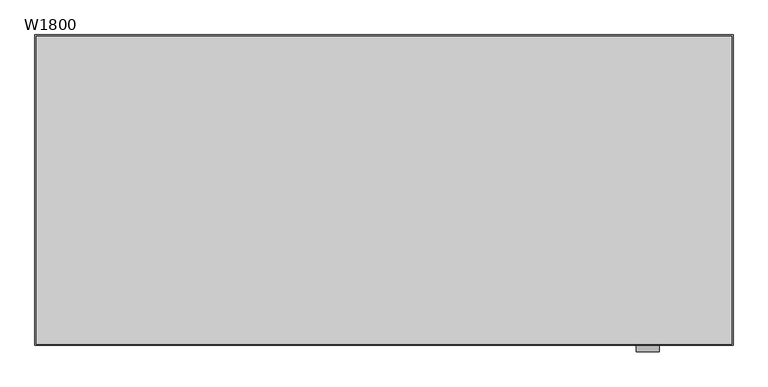
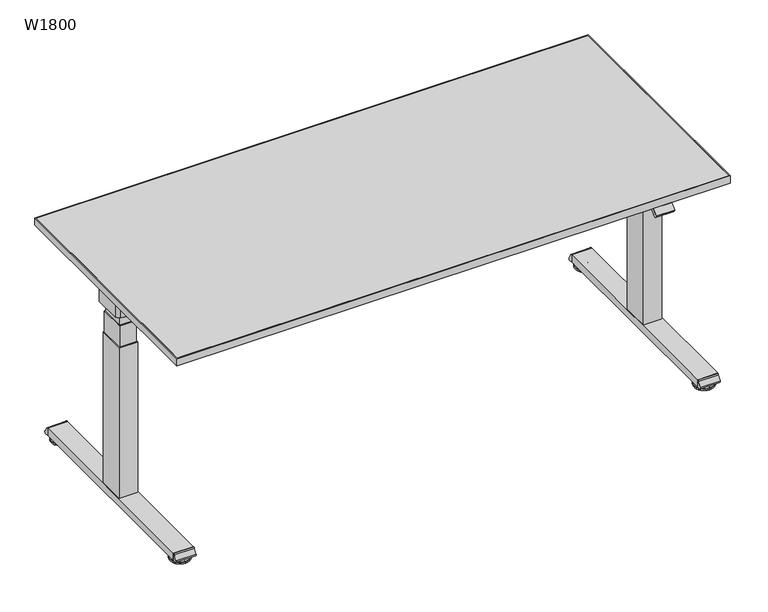
"""IFC4 building model written with IfcOpenShell, lengths in millimetres: furniture geometry, W1800."""

from ifc_helpers import new_model, si_unit, point, frame, frame_2d, origin, place, context, project, spatial, polyline, circle_curve, trimmed, segment, composite_curve, outline, extrude, faceted_brep, source, transform, mapped, element, save
from ifc_brep_helpers import plane_surface, cylinder_surface, revolved_surface, advanced_brep


def w1800_f8b1734d(model_context):
    return source(origin(), model_context, "Body", "SolidModel", [
        extrude(outline(polyline([(1709.0, -357.5), (1709.0, -442.5), (91.0, -442.5), (91.0, -357.5), (1709.0, -357.5)])), frame((0.0, 0.0, 667.0), z_axis=(0.0, 0.0, 1.0), x_axis=(1.0, 0.0, 0.0)), (0.0, 0.0, 1.0), 48.0),
        extrude(outline(composite_curve([segment(trimmed(circle_curve(frame_2d((1773.2844551, -429.3948571)), 27.2777716), [point((1796.0, -444.4972027))], [point((1785.2226587, -453.9214981))], False, "CARTESIAN"), True, "CONTINUOUS"), segment(trimmed(circle_curve(frame_2d((1767.407844, -417.3215558)), 40.705324), [point((1785.2226587, -453.9214981))], [point((1767.8222685, -458.02477))], False, "CARTESIAN"), True, "CONTINUOUS"), segment(trimmed(circle_curve(frame_2d((1752.5, 1046.8708411)), 1504.9736119), [point((1767.8222685, -458.02477))], [point((1737.1777315, -458.02477))], False, "CARTESIAN"), True, "CONTINUOUS"), segment(trimmed(circle_curve(frame_2d((1737.592156, -417.3215558)), 40.705324), [point((1737.1777315, -458.02477))], [point((1719.7773413, -453.9214981))], False, "CARTESIAN"), True, "CONTINUOUS"), segment(trimmed(circle_curve(frame_2d((1731.7155449, -429.3948571)), 27.2777716), [point((1719.7773413, -453.9214981))], [point((1709.0, -444.4972027))], False, "CARTESIAN"), True, "CONTINUOUS"), segment(polyline([(1709.0, -444.4972027), (1709.0, -355.5027973)]), True, "CONTINUOUS"), segment(trimmed(circle_curve(frame_2d((1731.7155449, -370.6051429)), 27.2777716), [point((1709.0, -355.5027973))], [point((1719.7773413, -346.0785019))], False, "CARTESIAN"), True, "CONTINUOUS"), segment(trimmed(circle_curve(frame_2d((1737.592156, -382.6784442)), 40.705324), [point((1719.7773413, -346.0785019))], [point((1737.1777315, -341.9752299))], False, "CARTESIAN"), True, "CONTINUOUS"), segment(trimmed(circle_curve(frame_2d((1752.5, -1846.8708411)), 1504.9736119), [point((1737.1777315, -341.9752299))], [point((1767.8222685, -341.9752299))], False, "CARTESIAN"), True, "CONTINUOUS"), segment(trimmed(circle_curve(frame_2d((1767.407844, -382.6784442)), 40.705324), [point((1767.8222685, -341.9752299))], [point((1785.2226587, -346.0785019))], False, "CARTESIAN"), True, "CONTINUOUS"), segment(trimmed(circle_curve(frame_2d((1773.2844551, -370.6051429)), 27.2777716), [point((1785.2226587, -346.0785019))], [point((1796.0, -355.5027973))], False, "CARTESIAN"), True, "CONTINUOUS"), segment(polyline([(1796.0, -355.5027973), (1796.0, -444.4972027)]), True, "CONTINUOUS")], self_intersect=False)), frame((0.0, 0.0, 667.0), z_axis=(0.0, 0.0, 1.0), x_axis=(1.0, 0.0, 0.0)), (0.0, 0.0, 1.0), 48.0),
        extrude(outline(composite_curve([segment(polyline([(-755.0, 13.4998704), (-764.6135226, 13.4998704)]), True, "CONTINUOUS"), segment(trimmed(circle_curve(frame_2d((-764.6135226, 18.4998704)), 5.0), [point((-764.6135226, 13.4998704))], [point((-768.9439076, 20.9994236))], False, "CARTESIAN"), True, "CONTINUOUS"), segment(polyline([(-768.9439076, 20.9994236), (-760.2856529, 35.999535)]), True, "CONTINUOUS"), segment(trimmed(circle_curve(frame_2d((-755.9552679, 33.4999819)), 5.0), [point((-760.2856529, 35.999535))], [point((-755.9552679, 38.4999819))], False, "CARTESIAN"), True, "CONTINUOUS"), segment(polyline([(-755.9552679, 38.4999819), (-755.0, 38.4999819), (-755.0, 13.4998704)]), True, "CONTINUOUS")], self_intersect=False)), frame((1720.0, 0.0, 0.0), z_axis=(1.0, 0.0, 0.0), x_axis=(0.0, 1.0, 0.0)), (0.0, 0.0, 1.0), 65.0),
        extrude(outline(composite_curve([segment(polyline([(-45.0, 13.4998704), (-45.0, 38.4999819), (-44.0447321, 38.4999819)]), True, "CONTINUOUS"), segment(trimmed(circle_curve(frame_2d((-44.0447321, 33.4999819)), 5.0), [point((-44.0447321, 38.4999819))], [point((-39.7143471, 35.999535))], False, "CARTESIAN"), True, "CONTINUOUS"), segment(polyline([(-39.7143471, 35.999535), (-31.0560924, 20.9994236)]), True, "CONTINUOUS"), segment(trimmed(circle_curve(frame_2d((-35.3864774, 18.4998704)), 5.0), [point((-31.0560924, 20.9994236))], [point((-35.3864774, 13.4998704))], False, "CARTESIAN"), True, "CONTINUOUS"), segment(polyline([(-35.3864774, 13.4998704), (-45.0, 13.4998704)]), True, "CONTINUOUS")], self_intersect=False)), frame((1720.0, 0.0, 0.0), z_axis=(1.0, 0.0, 0.0), x_axis=(0.0, 1.0, 0.0)), (0.0, 0.0, 1.0), 65.0),
        advanced_brep(
        [(1752.5, -735.0, 13.4998704), (1752.5, -727.5, 13.4998704), (1752.5, -742.5, 13.4998704), (1752.5, -727.5, 11.4998704), (1752.5, -742.5, 11.4998704), (1752.5, -725.0071288, 9.0069993), (1752.5, -744.9928712, 9.0069993), (1752.5, -703.4111807, 7.0812515), (1752.5, -766.5888193, 7.0812515), (1752.5, -702.5, 6.0852038), (1752.5, -767.5, 6.0852038), (1752.5, -702.5, 1.0), (1752.5, -767.5, 1.0), (1752.5, -703.5, 0.0), (1752.5, -766.5, 0.0), (1752.5, -735.0, 0.0)],
        [
            (0, 1),
            (1, 2, circle_curve(frame((1752.5, -735.0, 13.4998704), z_axis=(0.0, 0.0, 1.0), x_axis=(0.0, 1.0, 0.0)), 7.5)),
            (2, 0),
            (2, 1, circle_curve(frame((1752.5, -735.0, 13.4998704), z_axis=(0.0, 0.0, 1.0), x_axis=(0.0, 1.0, 0.0)), 7.5)),
            (1, 3),
            (3, 4, circle_curve(frame((1752.5, -735.0, 11.4998704), z_axis=(0.0, 0.0, 1.0), x_axis=(0.0, 1.0, 0.0)), 7.5)),
            (4, 2),
            (4, 3, circle_curve(frame((1752.5, -735.0, 11.4998704), z_axis=(0.0, 0.0, 1.0), x_axis=(0.0, 1.0, 0.0)), 7.5)),
            (3, 5),
            (5, 6, circle_curve(frame((1752.5, -735.0, 9.0069993), z_axis=(0.0, 0.0, 1.0), x_axis=(0.0, 1.0, 0.0)), 9.9928712)),
            (6, 4),
            (6, 5, circle_curve(frame((1752.5, -735.0, 9.0069993), z_axis=(0.0, 0.0, 1.0), x_axis=(0.0, 1.0, 0.0)), 9.9928712)),
            (5, 7),
            (7, 8, circle_curve(frame((1752.5, -735.0, 7.0812515), z_axis=(0.0, 0.0, 1.0), x_axis=(0.0, 1.0, 0.0)), 31.5888193)),
            (8, 6),
            (8, 7, circle_curve(frame((1752.5, -735.0, 7.0812515), z_axis=(0.0, 0.0, 1.0), x_axis=(0.0, 1.0, 0.0)), 31.5888193)),
            (7, 9),
            (9, 10, circle_curve(frame((1752.5, -735.0, 6.0852038), z_axis=(0.0, 0.0, 1.0), x_axis=(0.0, 1.0, 0.0)), 32.5)),
            (10, 8),
            (10, 9, circle_curve(frame((1752.5, -735.0, 6.0852038), z_axis=(0.0, 0.0, 1.0), x_axis=(0.0, 1.0, 0.0)), 32.5)),
            (9, 11),
            (11, 12, circle_curve(frame((1752.5, -735.0, 1.0), z_axis=(0.0, 0.0, 1.0), x_axis=(0.0, 1.0, 0.0)), 32.5)),
            (12, 10),
            (12, 11, circle_curve(frame((1752.5, -735.0, 1.0), z_axis=(0.0, 0.0, 1.0), x_axis=(0.0, 1.0, 0.0)), 32.5)),
            (11, 13),
            (13, 14, circle_curve(frame((1752.5, -735.0, 0.0), z_axis=(0.0, 0.0, 1.0), x_axis=(0.0, 1.0, 0.0)), 31.5)),
            (14, 12),
            (14, 13, circle_curve(frame((1752.5, -735.0, 0.0), z_axis=(0.0, 0.0, 1.0), x_axis=(0.0, 1.0, 0.0)), 31.5)),
            (13, 15),
            (15, 14),
        ],
        [
            plane_surface(frame((1752.5, -735.0, 13.4998704), z_axis=(0.0, 0.0, 1.0), x_axis=(0.0, 1.0, 0.0))),
            cylinder_surface(frame((1752.5, -735.0, -1.9309494), z_axis=(0.0, 0.0, 1.0), x_axis=(0.0, 1.0, 0.0)), 7.5),
            revolved_surface(polyline([(1752.5, -725.0071288, 9.0069993), (1752.5, -727.5, 11.4998704)]), (1752.5, -735.0, -1.9309494), (0.0, 0.0, 1.0)),
            revolved_surface(polyline([(1752.5, -703.4111807, 7.0812515), (1752.5, -725.0071288, 9.0069993)]), (1752.5, -735.0, -1.9309494), (0.0, 0.0, 1.0)),
            revolved_surface(polyline([(1752.5, -702.5, 6.0852038), (1752.5, -703.4111807, 7.0812515)]), (1752.5, -735.0, -1.9309494), (0.0, 0.0, 1.0)),
            cylinder_surface(frame((1752.5, -735.0, -1.9309494), z_axis=(0.0, 0.0, 1.0), x_axis=(0.0, 1.0, 0.0)), 32.5),
            revolved_surface(polyline([(1752.5, -703.5, 0.0), (1752.5, -702.5, 1.0)]), (1752.5, -735.0, -1.9309494), (0.0, 0.0, 1.0)),
            plane_surface(frame((1752.5, -735.0, 0.0), z_axis=(0.0, 0.0, -1.0), x_axis=(0.0, 1.0, 0.0))),
        ],
        [
            (0, [[1, 2, 3]]),
            (0, [[-3, 4, -1]]),
            (1, [[-2, 5, 6, 7]]),
            (1, [[-4, -7, 8, -5]]),
            (2, [[-6, 9, 10, 11]]),
            (2, [[-8, -11, 12, -9]]),
            (3, [[-10, 13, 14, 15]]),
            (3, [[-12, -15, 16, -13]]),
            (4, [[-14, 17, 18, 19]]),
            (4, [[-16, -19, 20, -17]]),
            (5, [[-18, 21, 22, 23]]),
            (5, [[-20, -23, 24, -21]]),
            (6, [[-22, 25, 26, 27]]),
            (6, [[-24, -27, 28, -25]]),
            (7, [[-26, 29, 30]]),
            (7, [[-28, -30, -29]]),
        ],
    ),
        advanced_brep(
        [(1752.5, -57.5, 13.4998704), (1752.5, -72.5, 13.4998704), (1752.5, -65.0, 13.4998704), (1752.5, -57.5, 11.4998704), (1752.5, -72.5, 11.4998704), (1752.5, -55.0071288, 9.0069993), (1752.5, -74.9928712, 9.0069993), (1752.5, -33.4111807, 7.0812515), (1752.5, -96.5888193, 7.0812515), (1752.5, -32.5, 6.0852038), (1752.5, -97.5, 6.0852038), (1752.5, -32.5, 1.0), (1752.5, -97.5, 1.0), (1752.5, -33.5, 0.0), (1752.5, -96.5, 0.0), (1752.5, -65.0, 0.0)],
        [
            (0, 1, circle_curve(frame((1752.5, -65.0, 13.4998704), z_axis=(0.0, 0.0, 1.0), x_axis=(0.0, -1.0, 0.0)), 7.5)),
            (1, 2),
            (2, 0),
            (1, 0, circle_curve(frame((1752.5, -65.0, 13.4998704), z_axis=(0.0, 0.0, 1.0), x_axis=(0.0, -1.0, 0.0)), 7.5)),
            (3, 4, circle_curve(frame((1752.5, -65.0, 11.4998704), z_axis=(0.0, 0.0, 1.0), x_axis=(0.0, -1.0, 0.0)), 7.5)),
            (4, 1),
            (0, 3),
            (4, 3, circle_curve(frame((1752.5, -65.0, 11.4998704), z_axis=(0.0, 0.0, 1.0), x_axis=(0.0, -1.0, 0.0)), 7.5)),
            (5, 6, circle_curve(frame((1752.5, -65.0, 9.0069993), z_axis=(0.0, 0.0, 1.0), x_axis=(0.0, -1.0, 0.0)), 9.9928712)),
            (6, 4),
            (3, 5),
            (6, 5, circle_curve(frame((1752.5, -65.0, 9.0069993), z_axis=(0.0, 0.0, 1.0), x_axis=(0.0, -1.0, 0.0)), 9.9928712)),
            (7, 8, circle_curve(frame((1752.5, -65.0, 7.0812515), z_axis=(0.0, 0.0, 1.0), x_axis=(0.0, -1.0, 0.0)), 31.5888193)),
            (8, 6),
            (5, 7),
            (8, 7, circle_curve(frame((1752.5, -65.0, 7.0812515), z_axis=(0.0, 0.0, 1.0), x_axis=(0.0, -1.0, 0.0)), 31.5888193)),
            (9, 10, circle_curve(frame((1752.5, -65.0, 6.0852038), z_axis=(0.0, 0.0, 1.0), x_axis=(0.0, -1.0, 0.0)), 32.5)),
            (10, 8),
            (7, 9),
            (10, 9, circle_curve(frame((1752.5, -65.0, 6.0852038), z_axis=(0.0, 0.0, 1.0), x_axis=(0.0, -1.0, 0.0)), 32.5)),
            (11, 12, circle_curve(frame((1752.5, -65.0, 1.0), z_axis=(0.0, 0.0, 1.0), x_axis=(0.0, -1.0, 0.0)), 32.5)),
            (12, 10),
            (9, 11),
            (12, 11, circle_curve(frame((1752.5, -65.0, 1.0), z_axis=(0.0, 0.0, 1.0), x_axis=(0.0, -1.0, 0.0)), 32.5)),
            (13, 14, circle_curve(frame((1752.5, -65.0, 0.0), z_axis=(0.0, 0.0, 1.0), x_axis=(0.0, -1.0, 0.0)), 31.5)),
            (14, 12),
            (11, 13),
            (14, 13, circle_curve(frame((1752.5, -65.0, 0.0), z_axis=(0.0, 0.0, 1.0), x_axis=(0.0, -1.0, 0.0)), 31.5)),
            (15, 14),
            (13, 15),
        ],
        [
            plane_surface(frame((1752.5, -65.0, 13.4998704), z_axis=(0.0, 0.0, 1.0), x_axis=(0.0, -1.0, 0.0))),
            cylinder_surface(frame((1752.5, -65.0, -1.9309494), z_axis=(0.0, 0.0, -1.0), x_axis=(0.0, -1.0, 0.0)), 7.5),
            revolved_surface(polyline([(1752.5, -72.5, 11.4998704), (1752.5, -74.9928712, 9.0069993)]), (1752.5, -65.0, -1.9309494), (0.0, 0.0, -1.0)),
            revolved_surface(polyline([(1752.5, -74.9928712, 9.0069993), (1752.5, -96.5888193, 7.0812515)]), (1752.5, -65.0, -1.9309494), (0.0, 0.0, -1.0)),
            revolved_surface(polyline([(1752.5, -96.5888193, 7.0812515), (1752.5, -97.5, 6.0852038)]), (1752.5, -65.0, -1.9309494), (0.0, 0.0, -1.0)),
            cylinder_surface(frame((1752.5, -65.0, -1.9309494), z_axis=(0.0, 0.0, -1.0), x_axis=(0.0, -1.0, 0.0)), 32.5),
            revolved_surface(polyline([(1752.5, -97.5, 1.0), (1752.5, -96.5, 0.0)]), (1752.5, -65.0, -1.9309494), (0.0, 0.0, -1.0)),
            plane_surface(frame((1752.5, -65.0, 0.0), z_axis=(0.0, 0.0, -1.0), x_axis=(0.0, -1.0, 0.0))),
        ],
        [
            (0, [[1, 2, 3]]),
            (0, [[4, -3, -2]]),
            (1, [[5, 6, -1, 7]]),
            (1, [[8, -7, -4, -6]]),
            (2, [[9, 10, -5, 11]]),
            (2, [[12, -11, -8, -10]]),
            (3, [[13, 14, -9, 15]]),
            (3, [[16, -15, -12, -14]]),
            (4, [[17, 18, -13, 19]]),
            (4, [[20, -19, -16, -18]]),
            (5, [[21, 22, -17, 23]]),
            (5, [[24, -23, -20, -22]]),
            (6, [[25, 26, -21, 27]]),
            (6, [[28, -27, -24, -26]]),
            (7, [[29, -25, 30]]),
            (7, [[-30, -28, -29]]),
        ],
    ),
        extrude(outline(polyline([(1727.5, -360.0), (1777.5, -360.0), (1777.5, -440.0), (1727.5, -440.0), (1727.5, -360.0)])), frame((0.0, 0.0, 629.7499909), z_axis=(0.0, 0.0, 1.0), x_axis=(1.0, 0.0, 0.0)), (0.0, 0.0, 1.0), 73.2500091),
        extrude(outline(polyline([(1725.0, -357.5), (1780.0, -357.5), (1780.0, -442.5), (1725.0, -442.5), (1725.0, -357.5)])), frame((0.0, 0.0, 556.4999819), z_axis=(0.0, 0.0, 1.0), x_axis=(1.0, 0.0, 0.0)), (0.0, 0.0, 1.0), 73.2500091),
        extrude(outline(polyline([(1722.5, -355.0), (1782.5, -355.0), (1782.5, -445.0), (1722.5, -445.0), (1722.5, -355.0)])), frame((0.0, 0.0, 38.4999819), z_axis=(0.0, 0.0, 1.0), x_axis=(1.0, 0.0, 0.0)), (0.0, 0.0, 1.0), 518.0),
        extrude(outline(polyline([(1785.0, -755.0), (1720.0, -755.0), (1720.0, -45.0), (1785.0, -45.0), (1785.0, -755.0)])), frame((0.0, 0.0, 13.4998704), z_axis=(0.0, 0.0, 1.0), x_axis=(1.0, 0.0, 0.0)), (0.0, 0.0, 1.0), 25.0001114),
        faceted_brep([(72.5, -360.0, 703.0), (22.5, -360.0, 703.0), (22.5, -440.0, 703.0), (72.5, -440.0, 703.0), (72.5, -360.0, 629.7499909), (22.5, -360.0, 629.7499909), (22.5, -440.0, 629.7499909), (72.5, -440.0, 629.7499909), (75.0, -357.5, 629.7499909), (20.0, -357.5, 629.7499909), (20.0, -442.5, 629.7499909), (75.0, -442.5, 629.7499909), (75.0, -357.5, 556.4999819), (75.0, -442.5, 556.4999819), (20.0, -442.5, 556.4999819), (20.0, -357.5, 556.4999819)], [[[0, 1, 2, 3]], [[1, 0, 4, 5]], [[2, 1, 5, 6]], [[3, 2, 6, 7]], [[0, 3, 7, 4]], [[8, 9, 10, 11], [5, 4, 7, 6]], [[12, 13, 14, 15]], [[9, 8, 12, 15]], [[10, 9, 15, 14]], [[11, 10, 14, 13]], [[8, 11, 13, 12]]]),
        extrude(outline(composite_curve([segment(polyline([(4.0, -444.4972027), (4.0, -355.5027973)]), True, "CONTINUOUS"), segment(trimmed(circle_curve(frame_2d((26.7155449, -370.6051429)), 27.2777716), [point((4.0, -355.5027973))], [point((14.7773413, -346.0785019))], False, "CARTESIAN"), True, "CONTINUOUS"), segment(trimmed(circle_curve(frame_2d((32.592156, -382.6784442)), 40.705324), [point((14.7773413, -346.0785019))], [point((32.1777315, -341.97523))], False, "CARTESIAN"), True, "CONTINUOUS"), segment(trimmed(circle_curve(frame_2d((47.5, -1846.8708411)), 1504.9736119), [point((32.1777315, -341.97523))], [point((62.8222685, -341.97523))], False, "CARTESIAN"), True, "CONTINUOUS"), segment(trimmed(circle_curve(frame_2d((62.407844, -382.6784442)), 40.705324), [point((62.8222685, -341.97523))], [point((80.2226587, -346.0785019))], False, "CARTESIAN"), True, "CONTINUOUS"), segment(trimmed(circle_curve(frame_2d((68.2844551, -370.6051429)), 27.2777716), [point((80.2226587, -346.0785019))], [point((91.0, -355.5027973))], False, "CARTESIAN"), True, "CONTINUOUS"), segment(polyline([(91.0, -355.5027973), (91.0, -444.4972027)]), True, "CONTINUOUS"), segment(trimmed(circle_curve(frame_2d((68.2844551, -429.3948571)), 27.2777716), [point((91.0, -444.4972027))], [point((80.2226587, -453.9214981))], False, "CARTESIAN"), True, "CONTINUOUS"), segment(trimmed(circle_curve(frame_2d((62.407844, -417.3215558)), 40.705324), [point((80.2226587, -453.9214981))], [point((62.8222685, -458.02477))], False, "CARTESIAN"), True, "CONTINUOUS"), segment(trimmed(circle_curve(frame_2d((47.5, 1046.8708411)), 1504.9736119), [point((62.8222685, -458.02477))], [point((32.1777315, -458.02477))], False, "CARTESIAN"), True, "CONTINUOUS"), segment(trimmed(circle_curve(frame_2d((32.592156, -417.3215558)), 40.705324), [point((32.1777315, -458.02477))], [point((14.7773413, -453.9214981))], False, "CARTESIAN"), True, "CONTINUOUS"), segment(trimmed(circle_curve(frame_2d((26.7155449, -429.3948571)), 27.2777716), [point((14.7773413, -453.9214981))], [point((4.0, -444.4972027))], False, "CARTESIAN"), True, "CONTINUOUS")], self_intersect=False)), frame((0.0, 0.0, 667.0), z_axis=(0.0, 0.0, 1.0), x_axis=(1.0, 0.0, 0.0)), (0.0, 0.0, 1.0), 48.0),
        extrude(outline(composite_curve([segment(polyline([(-755.0, 13.4998704), (-764.6135226, 13.4998704)]), True, "CONTINUOUS"), segment(trimmed(circle_curve(frame_2d((-764.6135226, 18.4998704)), 5.0), [point((-764.6135226, 13.4998704))], [point((-768.9439076, 20.9994236))], False, "CARTESIAN"), True, "CONTINUOUS"), segment(polyline([(-768.9439076, 20.9994236), (-760.2856529, 35.999535)]), True, "CONTINUOUS"), segment(trimmed(circle_curve(frame_2d((-755.9552679, 33.4999819)), 5.0), [point((-760.2856529, 35.999535))], [point((-755.9552679, 38.4999819))], False, "CARTESIAN"), True, "CONTINUOUS"), segment(polyline([(-755.9552679, 38.4999819), (-755.0, 38.4999819), (-755.0, 13.4998704)]), True, "CONTINUOUS")], self_intersect=False)), frame((15.0, 0.0, 0.0), z_axis=(1.0, 0.0, 0.0), x_axis=(0.0, 1.0, 0.0)), (0.0, 0.0, 1.0), 65.0),
        extrude(outline(composite_curve([segment(polyline([(-45.0, 13.4998704), (-45.0, 38.4999819), (-44.0447321, 38.4999819)]), True, "CONTINUOUS"), segment(trimmed(circle_curve(frame_2d((-44.0447321, 33.4999819)), 5.0), [point((-44.0447321, 38.4999819))], [point((-39.7143471, 35.999535))], False, "CARTESIAN"), True, "CONTINUOUS"), segment(polyline([(-39.7143471, 35.999535), (-31.0560924, 20.9994236)]), True, "CONTINUOUS"), segment(trimmed(circle_curve(frame_2d((-35.3864774, 18.4998704)), 5.0), [point((-31.0560924, 20.9994236))], [point((-35.3864774, 13.4998704))], False, "CARTESIAN"), True, "CONTINUOUS"), segment(polyline([(-35.3864774, 13.4998704), (-45.0, 13.4998704)]), True, "CONTINUOUS")], self_intersect=False)), frame((15.0, 0.0, 0.0), z_axis=(1.0, 0.0, 0.0), x_axis=(0.0, 1.0, 0.0)), (0.0, 0.0, 1.0), 65.0),
        advanced_brep(
        [(47.5, -742.5, 13.4998704), (47.5, -727.5, 13.4998704), (47.5, -735.0, 13.4998704), (47.5, -742.5, 11.4998704), (47.5, -727.5, 11.4998704), (47.5, -744.9928712, 9.0069993), (47.5, -725.0071288, 9.0069993), (47.5, -766.5888193, 7.0812515), (47.5, -703.4111807, 7.0812515), (47.5, -767.5, 6.0852038), (47.5, -702.5, 6.0852038), (47.5, -767.5, 1.0), (47.5, -702.5, 1.0), (47.5, -766.5, 0.0), (47.5, -703.5, 0.0), (47.5, -735.0, 0.0)],
        [
            (0, 1, circle_curve(frame((47.5, -735.0, 13.4998704), z_axis=(0.0, 0.0, 1.0), x_axis=(0.0, 1.0, 0.0)), 7.5)),
            (1, 2),
            (2, 0),
            (1, 0, circle_curve(frame((47.5, -735.0, 13.4998704), z_axis=(0.0, 0.0, 1.0), x_axis=(0.0, 1.0, 0.0)), 7.5)),
            (3, 4, circle_curve(frame((47.5, -735.0, 11.4998704), z_axis=(0.0, 0.0, 1.0), x_axis=(0.0, 1.0, 0.0)), 7.5)),
            (4, 1),
            (0, 3),
            (4, 3, circle_curve(frame((47.5, -735.0, 11.4998704), z_axis=(0.0, 0.0, 1.0), x_axis=(0.0, 1.0, 0.0)), 7.5)),
            (5, 6, circle_curve(frame((47.5, -735.0, 9.0069993), z_axis=(0.0, 0.0, 1.0), x_axis=(0.0, 1.0, 0.0)), 9.9928712)),
            (6, 4),
            (3, 5),
            (6, 5, circle_curve(frame((47.5, -735.0, 9.0069993), z_axis=(0.0, 0.0, 1.0), x_axis=(0.0, 1.0, 0.0)), 9.9928712)),
            (7, 8, circle_curve(frame((47.5, -735.0, 7.0812515), z_axis=(0.0, 0.0, 1.0), x_axis=(0.0, 1.0, 0.0)), 31.5888193)),
            (8, 6),
            (5, 7),
            (8, 7, circle_curve(frame((47.5, -735.0, 7.0812515), z_axis=(0.0, 0.0, 1.0), x_axis=(0.0, 1.0, 0.0)), 31.5888193)),
            (9, 10, circle_curve(frame((47.5, -735.0, 6.0852038), z_axis=(0.0, 0.0, 1.0), x_axis=(0.0, 1.0, 0.0)), 32.5)),
            (10, 8),
            (7, 9),
            (10, 9, circle_curve(frame((47.5, -735.0, 6.0852038), z_axis=(0.0, 0.0, 1.0), x_axis=(0.0, 1.0, 0.0)), 32.5)),
            (11, 12, circle_curve(frame((47.5, -735.0, 1.0), z_axis=(0.0, 0.0, 1.0), x_axis=(0.0, 1.0, 0.0)), 32.5)),
            (12, 10),
            (9, 11),
            (12, 11, circle_curve(frame((47.5, -735.0, 1.0), z_axis=(0.0, 0.0, 1.0), x_axis=(0.0, 1.0, 0.0)), 32.5)),
            (13, 14, circle_curve(frame((47.5, -735.0, 0.0), z_axis=(0.0, 0.0, 1.0), x_axis=(0.0, 1.0, 0.0)), 31.5)),
            (14, 12),
            (11, 13),
            (14, 13, circle_curve(frame((47.5, -735.0, 0.0), z_axis=(0.0, 0.0, 1.0), x_axis=(0.0, 1.0, 0.0)), 31.5)),
            (15, 14),
            (13, 15),
        ],
        [
            plane_surface(frame((47.5, -735.0, 13.4998704), z_axis=(0.0, 0.0, 1.0), x_axis=(0.0, 1.0, 0.0))),
            cylinder_surface(frame((47.5, -735.0, -1.9309494), z_axis=(0.0, 0.0, -1.0), x_axis=(0.0, 1.0, 0.0)), 7.5),
            revolved_surface(polyline([(47.5, -727.5, 11.4998704), (47.5, -725.0071288, 9.0069993)]), (47.5, -735.0, -1.9309494), (0.0, 0.0, -1.0)),
            revolved_surface(polyline([(47.5, -725.0071288, 9.0069993), (47.5, -703.4111807, 7.0812515)]), (47.5, -735.0, -1.9309494), (0.0, 0.0, -1.0)),
            revolved_surface(polyline([(47.5, -703.4111807, 7.0812515), (47.5, -702.5, 6.0852038)]), (47.5, -735.0, -1.9309494), (0.0, 0.0, -1.0)),
            cylinder_surface(frame((47.5, -735.0, -1.9309494), z_axis=(0.0, 0.0, -1.0), x_axis=(0.0, 1.0, 0.0)), 32.5),
            revolved_surface(polyline([(47.5, -702.5, 1.0), (47.5, -703.5, 0.0)]), (47.5, -735.0, -1.9309494), (0.0, 0.0, -1.0)),
            plane_surface(frame((47.5, -735.0, 0.0), z_axis=(0.0, 0.0, -1.0), x_axis=(0.0, 1.0, 0.0))),
        ],
        [
            (0, [[1, 2, 3]]),
            (0, [[4, -3, -2]]),
            (1, [[5, 6, -1, 7]]),
            (1, [[8, -7, -4, -6]]),
            (2, [[9, 10, -5, 11]]),
            (2, [[12, -11, -8, -10]]),
            (3, [[13, 14, -9, 15]]),
            (3, [[16, -15, -12, -14]]),
            (4, [[17, 18, -13, 19]]),
            (4, [[20, -19, -16, -18]]),
            (5, [[21, 22, -17, 23]]),
            (5, [[24, -23, -20, -22]]),
            (6, [[25, 26, -21, 27]]),
            (6, [[28, -27, -24, -26]]),
            (7, [[29, -25, 30]]),
            (7, [[-30, -28, -29]]),
        ],
    ),
        advanced_brep(
        [(47.5, -65.0, 13.4998704), (47.5, -72.5, 13.4998704), (47.5, -57.5, 13.4998704), (47.5, -72.5, 11.4998704), (47.5, -57.5, 11.4998704), (47.5, -74.9928712, 9.0069993), (47.5, -55.0071288, 9.0069993), (47.5, -96.5888193, 7.0812515), (47.5, -33.4111807, 7.0812515), (47.5, -97.5, 6.0852038), (47.5, -32.5, 6.0852038), (47.5, -97.5, 1.0), (47.5, -32.5, 1.0), (47.5, -96.5, 0.0), (47.5, -33.5, 0.0), (47.5, -65.0, 0.0)],
        [
            (0, 1),
            (1, 2, circle_curve(frame((47.5, -65.0, 13.4998704), z_axis=(0.0, 0.0, 1.0), x_axis=(0.0, -1.0, 0.0)), 7.5)),
            (2, 0),
            (2, 1, circle_curve(frame((47.5, -65.0, 13.4998704), z_axis=(0.0, 0.0, 1.0), x_axis=(0.0, -1.0, 0.0)), 7.5)),
            (1, 3),
            (3, 4, circle_curve(frame((47.5, -65.0, 11.4998704), z_axis=(0.0, 0.0, 1.0), x_axis=(0.0, -1.0, 0.0)), 7.5)),
            (4, 2),
            (4, 3, circle_curve(frame((47.5, -65.0, 11.4998704), z_axis=(0.0, 0.0, 1.0), x_axis=(0.0, -1.0, 0.0)), 7.5)),
            (3, 5),
            (5, 6, circle_curve(frame((47.5, -65.0, 9.0069993), z_axis=(0.0, 0.0, 1.0), x_axis=(0.0, -1.0, 0.0)), 9.9928712)),
            (6, 4),
            (6, 5, circle_curve(frame((47.5, -65.0, 9.0069993), z_axis=(0.0, 0.0, 1.0), x_axis=(0.0, -1.0, 0.0)), 9.9928712)),
            (5, 7),
            (7, 8, circle_curve(frame((47.5, -65.0, 7.0812515), z_axis=(0.0, 0.0, 1.0), x_axis=(0.0, -1.0, 0.0)), 31.5888193)),
            (8, 6),
            (8, 7, circle_curve(frame((47.5, -65.0, 7.0812515), z_axis=(0.0, 0.0, 1.0), x_axis=(0.0, -1.0, 0.0)), 31.5888193)),
            (7, 9),
            (9, 10, circle_curve(frame((47.5, -65.0, 6.0852038), z_axis=(0.0, 0.0, 1.0), x_axis=(0.0, -1.0, 0.0)), 32.5)),
            (10, 8),
            (10, 9, circle_curve(frame((47.5, -65.0, 6.0852038), z_axis=(0.0, 0.0, 1.0), x_axis=(0.0, -1.0, 0.0)), 32.5)),
            (9, 11),
            (11, 12, circle_curve(frame((47.5, -65.0, 1.0), z_axis=(0.0, 0.0, 1.0), x_axis=(0.0, -1.0, 0.0)), 32.5)),
            (12, 10),
            (12, 11, circle_curve(frame((47.5, -65.0, 1.0), z_axis=(0.0, 0.0, 1.0), x_axis=(0.0, -1.0, 0.0)), 32.5)),
            (11, 13),
            (13, 14, circle_curve(frame((47.5, -65.0, 0.0), z_axis=(0.0, 0.0, 1.0), x_axis=(0.0, -1.0, 0.0)), 31.5)),
            (14, 12),
            (14, 13, circle_curve(frame((47.5, -65.0, 0.0), z_axis=(0.0, 0.0, 1.0), x_axis=(0.0, -1.0, 0.0)), 31.5)),
            (13, 15),
            (15, 14),
        ],
        [
            plane_surface(frame((47.5, -65.0, 13.4998704), z_axis=(0.0, 0.0, 1.0), x_axis=(0.0, -1.0, 0.0))),
            cylinder_surface(frame((47.5, -65.0, -1.9309494), z_axis=(0.0, 0.0, 1.0), x_axis=(0.0, -1.0, 0.0)), 7.5),
            revolved_surface(polyline([(47.5, -74.9928712, 9.0069993), (47.5, -72.5, 11.4998704)]), (47.5, -65.0, -1.9309494), (0.0, 0.0, 1.0)),
            revolved_surface(polyline([(47.5, -96.5888193, 7.0812515), (47.5, -74.9928712, 9.0069993)]), (47.5, -65.0, -1.9309494), (0.0, 0.0, 1.0)),
            revolved_surface(polyline([(47.5, -97.5, 6.0852038), (47.5, -96.5888193, 7.0812515)]), (47.5, -65.0, -1.9309494), (0.0, 0.0, 1.0)),
            cylinder_surface(frame((47.5, -65.0, -1.9309494), z_axis=(0.0, 0.0, 1.0), x_axis=(0.0, -1.0, 0.0)), 32.5),
            revolved_surface(polyline([(47.5, -96.5, 0.0), (47.5, -97.5, 1.0)]), (47.5, -65.0, -1.9309494), (0.0, 0.0, 1.0)),
            plane_surface(frame((47.5, -65.0, 0.0), z_axis=(0.0, 0.0, -1.0), x_axis=(0.0, -1.0, 0.0))),
        ],
        [
            (0, [[1, 2, 3]]),
            (0, [[-3, 4, -1]]),
            (1, [[-2, 5, 6, 7]]),
            (1, [[-4, -7, 8, -5]]),
            (2, [[-6, 9, 10, 11]]),
            (2, [[-8, -11, 12, -9]]),
            (3, [[-10, 13, 14, 15]]),
            (3, [[-12, -15, 16, -13]]),
            (4, [[-14, 17, 18, 19]]),
            (4, [[-16, -19, 20, -17]]),
            (5, [[-18, 21, 22, 23]]),
            (5, [[-20, -23, 24, -21]]),
            (6, [[-22, 25, 26, 27]]),
            (6, [[-24, -27, 28, -25]]),
            (7, [[-26, 29, 30]]),
            (7, [[-28, -30, -29]]),
        ],
    ),
        extrude(outline(polyline([(77.5, -355.0), (77.5, -445.0), (17.5, -445.0), (17.5, -355.0), (77.5, -355.0)])), frame((0.0, 0.0, 38.4999819), z_axis=(0.0, 0.0, 1.0), x_axis=(1.0, 0.0, 0.0)), (0.0, 0.0, 1.0), 518.0),
        extrude(outline(polyline([(80.0, -755.0), (15.0, -755.0), (15.0, -45.0), (80.0, -45.0), (80.0, -755.0)])), frame((0.0, 0.0, 13.4998704), z_axis=(0.0, 0.0, 1.0), x_axis=(1.0, 0.0, 0.0)), (0.0, 0.0, 1.0), 25.0001114),
        extrude(outline(polyline([(-800.038841, 715.0), (-766.0381088, 715.0), (-766.0381088, 704.2938145), (-794.5891325, 704.2938145), (-808.5703339, 690.3126131), (-810.5785737, 690.3126131), (-816.7019256, 696.435965), (-816.7019256, 698.3369154), (-800.038841, 715.0)])), frame((1550.0, 0.0, 0.0), z_axis=(1.0, 0.0, 0.0), x_axis=(0.0, 1.0, 0.0)), (0.0, 0.0, 1.0), 60.0),
        extrude(outline(polyline([(1797.0, -3.0), (1797.0, -797.0), (3.0, -797.0), (3.0, -3.0), (1797.0, -3.0)])), frame((0.0, 0.0, 715.0), z_axis=(0.0, 0.0, 1.0), x_axis=(1.0, 0.0, 0.0)), (0.0, 0.0, 1.0), 25.0),
        extrude(outline(polyline([(1800.0, 0.0), (1800.0, -800.0), (0.0, -800.0), (0.0, 0.0), (1800.0, 0.0)]), holes=[polyline([(1797.0, -3.0), (3.0, -3.0), (3.0, -797.0), (1797.0, -797.0), (1797.0, -3.0)])]), frame((0.0, 0.0, 715.0), z_axis=(0.0, 0.0, 1.0), x_axis=(1.0, 0.0, 0.0)), (0.0, 0.0, 1.0), 25.0),
    ])


if __name__ == "__main__":
    model = new_model("IFC4")
    model_context = context("Model", 3, world=origin())
    ifc_project = project(units=[si_unit("LENGTHUNIT", "METRE", prefix="MILLI")], contexts=[model_context])
    site = spatial("IfcSite", under=ifc_project)
    building = spatial("IfcBuilding", under=site)
    placement = place(None, origin())
    w1800_shape = w1800_f8b1734d(model_context)
    element("IfcFurniture", 1, ObjectType="W1800", at=placement, inside=building, context=model_context, shape_type="MappedRepresentation", body=[
        mapped(w1800_shape, transform((0.0, 0.0, 0.0), x_axis=(1.0, 0.0, 0.0), y_axis=(0.0, 1.0, 0.0), z_axis=(0.0, 0.0, 1.0))),
    ])
    save(model, "model.ifc")
